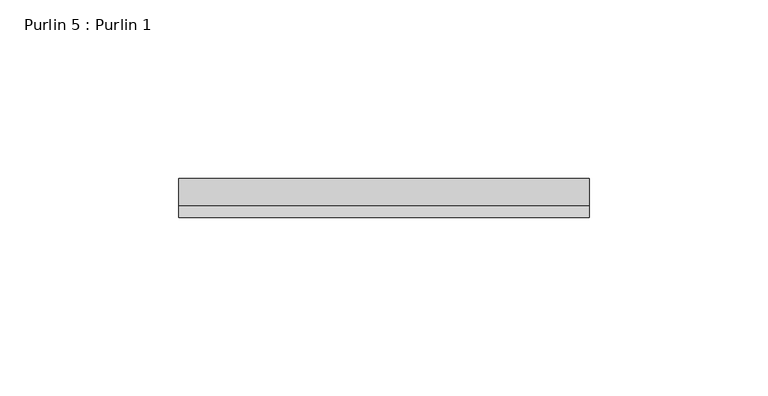
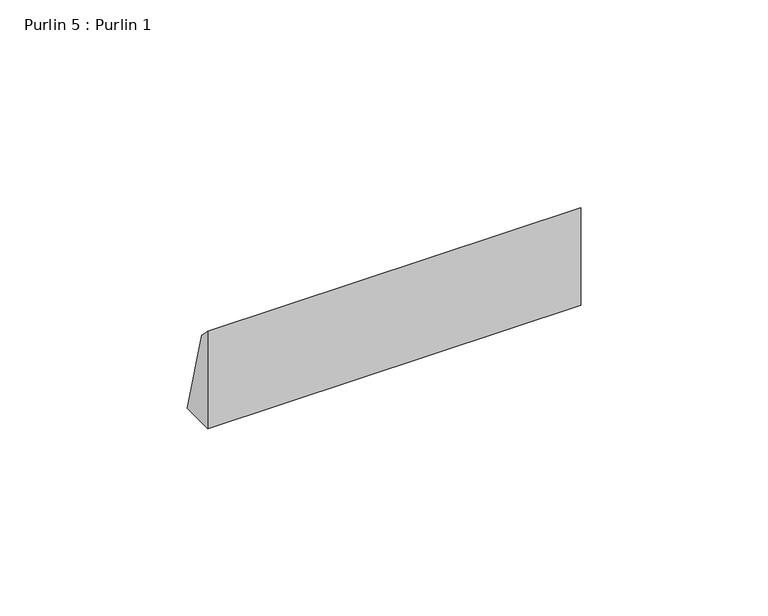
"""IFC4 building model written with IfcOpenShell, lengths in millimetres: proxy geometry, Purlin 5 : Purlin 1."""

import ifcopenshell
import ifcopenshell.guid

model = None  # the IFC model being written
_history = None  # IfcOwnerHistory: only IFC2X3 demands one
_inside = {}  # id of a spatial element -> (the spatial element, [elements in it])
_under = {}  # id of a project, library or spatial element -> (it, [spatial elements below it])
_declared = {}  # id of a project -> (the project, [libraries it declares])
_typed = {}  # id of a type object -> (the type object, [elements of that type])
_made_of = {}  # id of a material, layer set ... -> (it, [elements and type objects made of it])


def new_model(schema):
    """Start an empty IFC model of exactly this schema.

    Asked for "IFC4X3", IfcOpenShell would pick the latest addendum, in which some entities
    have other attributes; the version numbers below select the first issue.
    IFC2X3 requires an IfcOwnerHistory on every rooted entity: one is made here for all.
    """
    global model, _history
    if schema == "IFC4X3":
        model = ifcopenshell.file(schema_version=(4, 3, 0, 0))
    else:
        model = ifcopenshell.file(schema=schema)
    _inside.clear()
    _under.clear()
    _declared.clear()
    _typed.clear()
    _made_of.clear()
    _history = None
    if model.schema == "IFC2X3":
        org = make("IfcOrganization", Name="unknown")
        user = make(
            "IfcPersonAndOrganization",
            ThePerson=make("IfcPerson", FamilyName="unknown"),
            TheOrganization=org,
        )
        app = make(
            "IfcApplication",
            ApplicationDeveloper=org,
            Version="unknown",
            ApplicationFullName="unknown",
            ApplicationIdentifier="unknown",
        )
        _history = make(
            "IfcOwnerHistory",
            OwningUser=user,
            OwningApplication=app,
            ChangeAction="ADDED",
            CreationDate=0,
        )
    return model


def make(cls, **values):
    """One entity of the class cls with the attributes given. An attribute that is None is left unset."""
    return model.create_entity(
        cls, **{name: value for name, value in values.items() if value is not None}
    )


def rooted(cls, **values):
    """An entity with a GlobalId (a new one), such as an element, a storey or a relation."""
    return make(cls, GlobalId=ifcopenshell.guid.new(), OwnerHistory=_history, **values)


def si_unit(unit_type, name, prefix=None):
    """IfcSIUnit, for example si_unit("LENGTHUNIT", "METRE", prefix="MILLI")."""
    return make("IfcSIUnit", UnitType=unit_type, Prefix=prefix, Name=name)


def assignment(units):
    """IfcUnitAssignment: the units of a project."""
    return None if units is None else make("IfcUnitAssignment", Units=units)


def point(xyz):
    """IfcCartesianPoint."""
    return None if xyz is None else make("IfcCartesianPoint", Coordinates=xyz)


def direction(xyz):
    """IfcDirection."""
    return None if xyz is None else make("IfcDirection", DirectionRatios=xyz)


def frame(location, z_axis=None, x_axis=None):
    """IfcAxis2Placement3D, a coordinate frame: its origin and axes. An axis left out is left unset."""
    return make(
        "IfcAxis2Placement3D",
        Location=point(location),
        Axis=direction(z_axis),
        RefDirection=direction(x_axis),
    )


def origin():
    """The frame at (0, 0, 0) with its axes left unset."""
    return frame((0.0, 0.0, 0.0))


def place(relative_to, where):
    """IfcLocalPlacement: puts the frame where relative to a parent placement (None: the world)."""
    return make(
        "IfcLocalPlacement", PlacementRelTo=relative_to, RelativePlacement=where
    )


def context(
    kind, dimensions, precision=None, world=None, true_north=None, identifier=None
):
    """IfcGeometricRepresentationContext, for example the 3D "Model" context."""
    return make(
        "IfcGeometricRepresentationContext",
        ContextIdentifier=identifier,
        ContextType=kind,
        CoordinateSpaceDimension=dimensions,
        Precision=precision,
        WorldCoordinateSystem=world,
        TrueNorth=true_north,
    )


def project(units=None, contexts=None):
    """IfcProject with its units and contexts."""
    return rooted(
        "IfcProject",
        Name="project",
        RepresentationContexts=contexts,
        UnitsInContext=assignment(units),
    )


def spatial(cls, under=None, at=None, **own):
    """A site, building, storey or space (cls), placed at a placement, below another one or the project."""
    s = rooted(cls, ObjectPlacement=at, **own)
    if under is not None:
        _under.setdefault(under.id(), (under, []))[1].append(s)
    return s


def polyline(points):
    """IfcPolyline through the points."""
    return make("IfcPolyline", Points=[point(p) for p in points])


def outline(outer, holes=None, kind="AREA"):
    """IfcArbitraryClosedProfileDef: a profile drawn as a closed curve; with holes, ...WithVoids."""
    if holes is None:
        return make("IfcArbitraryClosedProfileDef", ProfileType=kind, OuterCurve=outer)
    return make(
        "IfcArbitraryProfileDefWithVoids",
        ProfileType=kind,
        OuterCurve=outer,
        InnerCurves=holes,
    )


def extrude(swept, where, along, depth):
    """IfcExtrudedAreaSolid: the profile swept, set in the frame where, extruded along a direction by depth."""
    return make(
        "IfcExtrudedAreaSolid",
        SweptArea=swept,
        Position=where,
        ExtrudedDirection=direction(along),
        Depth=depth,
    )


def shape(context_of_items, identifier, shape_type, items):
    """IfcShapeRepresentation: the items that make up one representation, for example the "Body"."""
    return make(
        "IfcShapeRepresentation",
        ContextOfItems=context_of_items,
        RepresentationIdentifier=identifier,
        RepresentationType=shape_type,
        Items=items,
    )


def source(mapping_origin, context_of_items, identifier, shape_type, items):
    """IfcRepresentationMap: a shape defined once, which mapped items show again and again."""
    return make(
        "IfcRepresentationMap",
        MappingOrigin=mapping_origin,
        MappedRepresentation=shape(context_of_items, identifier, shape_type, items),
    )


def transform(
    local_origin,
    x_axis=None,
    y_axis=None,
    z_axis=None,
    scale=None,
    scale2=None,
    scale3=None,
    uniform=True,
):
    """IfcCartesianTransformationOperator3D, or its non-uniform kind. x_axis, y_axis, z_axis: its Axis1, 2, 3."""
    if uniform:
        return make(
            "IfcCartesianTransformationOperator3D",
            Axis1=direction(x_axis),
            Axis2=direction(y_axis),
            LocalOrigin=point(local_origin),
            Scale=scale,
            Axis3=direction(z_axis),
        )
    return make(
        "IfcCartesianTransformationOperator3DnonUniform",
        Axis1=direction(x_axis),
        Axis2=direction(y_axis),
        LocalOrigin=point(local_origin),
        Scale=scale,
        Axis3=direction(z_axis),
        Scale2=scale2,
        Scale3=scale3,
    )


def mapped(mapping_source, mapping_target):
    """IfcMappedItem: shows the shape of a source again, moved by a transform."""
    return make(
        "IfcMappedItem", MappingSource=mapping_source, MappingTarget=mapping_target
    )


def made_of(thing, what):
    """Note that an element or type object is made of a material, layer set ...; save() writes the relation."""
    if what is not None:
        _made_of.setdefault(what.id(), (what, []))[1].append(thing)
    return thing


def element(
    cls,
    number,
    at=None,
    inside=None,
    cuts=None,
    type_object=None,
    material=None,
    context=None,
    identifier="Body",
    shape_type=None,
    held_by="IfcProductDefinitionShape",
    body=None,
    shapes=None,
    **own,
):
    """One element of the class cls, such as IfcWall. Its Tag is "e" and its number.

    at: its placement. inside: the storey or other place that contains it. cuts: it is an
    opening in that element (IfcRelVoidsElement). A single representation is given by context,
    identifier, shape_type and body (its items); several are given by shapes. held_by: the class
    of the entity that holds the representations. save() writes the other relations.
    """
    e = rooted(cls, Tag="e%d" % number, ObjectPlacement=at, **own)
    if body is not None:
        shapes = [shape(context, identifier, shape_type, body)]
    if shapes is not None:
        e.Representation = make(held_by, Representations=shapes)
    if inside is not None:
        _inside.setdefault(inside.id(), (inside, []))[1].append(e)
    if cuts is not None:
        rooted(
            "IfcRelVoidsElement", RelatingBuildingElement=cuts, RelatedOpeningElement=e
        )
    if type_object is not None:
        _typed.setdefault(type_object.id(), (type_object, []))[1].append(e)
    return made_of(e, material)


def aggregate(whole, parts):
    """IfcRelAggregates: a whole, such as a stair, and the parts it consists of."""
    return rooted("IfcRelAggregates", RelatingObject=whole, RelatedObjects=parts)


def save(model, path):
    """Write the relations noted so far, then the file.

    IfcRelAggregates (storeys below a building ...), IfcRelContainedInSpatialStructure (elements
    in a storey), IfcRelDefinesByType, IfcRelAssociatesMaterial and IfcRelDeclares: one each for
    every whole, place, type object, material and project.
    """
    for whole, parts in _under.values():
        aggregate(whole, parts)
    for where, things in _inside.values():
        rooted(
            "IfcRelContainedInSpatialStructure",
            RelatedElements=things,
            RelatingStructure=where,
        )
    for kind, things in _typed.values():
        rooted("IfcRelDefinesByType", RelatedObjects=things, RelatingType=kind)
    for what, things in _made_of.values():
        rooted("IfcRelAssociatesMaterial", RelatedObjects=things, RelatingMaterial=what)
    for by, libraries in _declared.values():
        rooted("IfcRelDeclares", RelatingContext=by, RelatedDefinitions=libraries)
    model.write(path)


def purlin_5_purlin_1_ad1f0e4a(model_context):
    return source(origin(), model_context, "Body", "SweptSolid", [
        extrude(outline(polyline([(9635.9030193, 1713.033574), (9639.1439824, 1709.792611), (9646.7829558, 1681.283574), (9635.9030193, 1681.283574), (9635.9030193, 1713.033574)])), frame((-5138.086916, 0.0, 0.0), z_axis=(1.0, 0.0, 0.0), x_axis=(0.0, 1.0, 0.0)), (0.0, 0.0, 1.0), 114.8664667),
    ])


if __name__ == "__main__":
    model = new_model("IFC4")
    model_context = context("Model", 3, world=origin())
    ifc_project = project(units=[si_unit("LENGTHUNIT", "METRE", prefix="MILLI")], contexts=[model_context])
    site = spatial("IfcSite", under=ifc_project)
    building = spatial("IfcBuilding", under=site)
    placement = place(None, origin())
    purlin_5_purlin_1_shape = purlin_5_purlin_1_ad1f0e4a(model_context)
    element("IfcBuildingElementProxy", 1, Name="Purlin 5 : Purlin 1", ObjectType="Purlin 5 : Purlin 1", at=placement, inside=building, context=model_context, shape_type="MappedRepresentation", body=[
        mapped(purlin_5_purlin_1_shape, transform((0.0, 0.0, 0.0), x_axis=(1.0, 0.0, 0.0), y_axis=(0.0, 1.0, 0.0), z_axis=(0.0, 0.0, 1.0))),
    ])
    save(model, "model.ifc")
